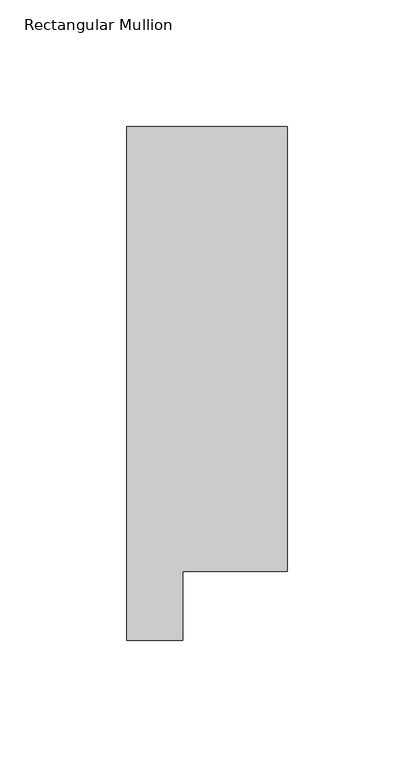
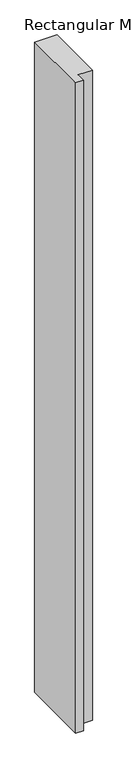
"""IFC4 building model written with IfcOpenShell, lengths in millimetres: member geometry, Rectangular Mullion."""

from ifc_helpers import new_model, si_unit, frame, origin, place, context, project, spatial, polyline, outline, extrude, source, transform, mapped, element, save


def rectangular_mullion_ec6c4ca9(model_context):
    return source(origin(), model_context, "Body", "SweptSolid", [
        extrude(outline(polyline([(-31.7499998, 222.5381313), (31.7499998, 222.5381313), (31.7499998, 46.7447302), (-9.5377002, 46.7447302), (-9.5377002, 19.5667313), (-31.7499998, 19.5667313), (-31.7499998, 222.5381313)])), frame((0.0, 0.0, -1965.309436), z_axis=(0.0, 0.0, 1.0), x_axis=(1.0, 0.0, 0.0)), (0.0, 0.0, 1.0), 1965.309436),
    ])


if __name__ == "__main__":
    model = new_model("IFC4")
    model_context = context("Model", 3, world=origin())
    ifc_project = project(units=[si_unit("LENGTHUNIT", "METRE", prefix="MILLI")], contexts=[model_context])
    site = spatial("IfcSite", under=ifc_project)
    building = spatial("IfcBuilding", under=site)
    placement = place(None, origin())
    rectangular_mullion_shape = rectangular_mullion_ec6c4ca9(model_context)
    element("IfcMember", 1, ObjectType="Rectangular Mullion", at=placement, inside=building, context=model_context, shape_type="MappedRepresentation", body=[
        mapped(rectangular_mullion_shape, transform((0.0, 0.0, 0.0), x_axis=(1.0, 0.0, 0.0), y_axis=(0.0, 1.0, 0.0), z_axis=(0.0, 0.0, 1.0))),
    ])
    save(model, "model.ifc")
